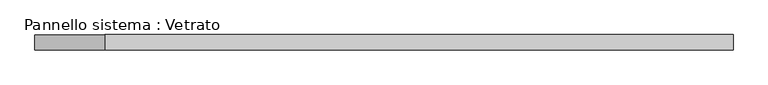
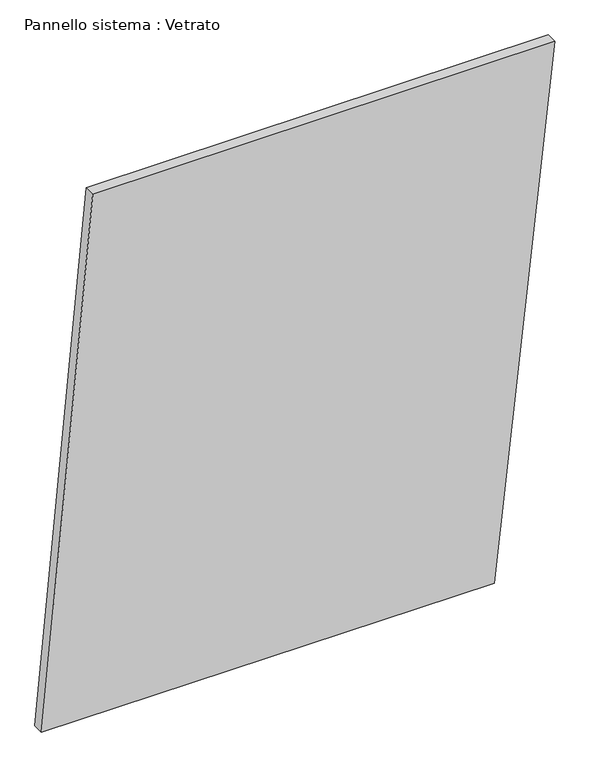
"""IFC4 building model written with IfcOpenShell, lengths in millimetres: plate geometry, Pannello sistema : Vetrato."""

from ifc_helpers import new_model, si_unit, frame, origin, place, context, project, spatial, polyline, outline, extrude, source, transform, mapped, element, save


def pannello_sistema_vetrato_65333ae6(model_context):
    return source(origin(), model_context, "Body", "SweptSolid", [
        extrude(outline(polyline([(1.7612941, -680.8409504), (0.0, 520.5458584), (1463.2983174, 680.8409504), (1463.2983106, -544.9158992), (1.7612941, -680.8409504)])), frame((0.0, -15.0, 0.0), z_axis=(0.0, 1.0, 0.0), x_axis=(0.0, 0.0, 1.0)), (0.0, 0.0, 1.0), 30.0),
    ])


if __name__ == "__main__":
    model = new_model("IFC4")
    model_context = context("Model", 3, world=origin())
    ifc_project = project(units=[si_unit("LENGTHUNIT", "METRE", prefix="MILLI")], contexts=[model_context])
    site = spatial("IfcSite", under=ifc_project)
    building = spatial("IfcBuilding", under=site)
    placement = place(None, origin())
    pannello_sistema_vetrato_shape = pannello_sistema_vetrato_65333ae6(model_context)
    element("IfcPlate", 1, ObjectType="Pannello sistema : Vetrato", at=placement, inside=building, context=model_context, shape_type="MappedRepresentation", body=[
        mapped(pannello_sistema_vetrato_shape, transform((0.0, 0.0, 0.0), x_axis=(1.0, 0.0, 0.0), y_axis=(0.0, 1.0, 0.0), z_axis=(0.0, 0.0, 1.0))),
    ])
    save(model, "model.ifc")
